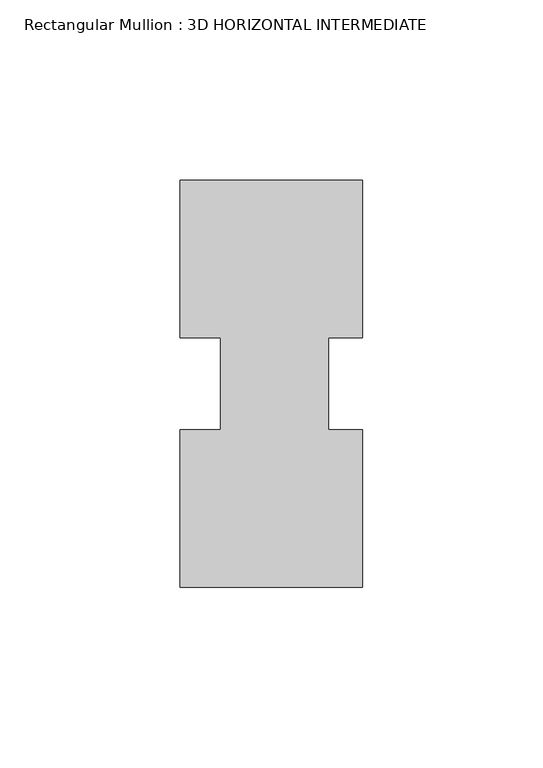
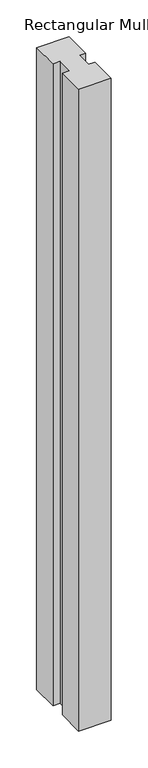
"""IFC4 building model written with IfcOpenShell, lengths in millimetres: member geometry, Rectangular Mullion : 3D HORIZONTAL INTERMEDIATE."""

from ifc_helpers import new_model, si_unit, frame, origin, place, context, project, spatial, polyline, outline, extrude, source, transform, mapped, element, save


def rectangular_mullion_3d_horizontal_intermediate_f3f46fbf(model_context):
    return source(origin(), model_context, "Body", "SweptSolid", [
        extrude(outline(polyline([(24.4527147, 12.7295207), (14.9404146, 12.7295207), (14.9404146, -12.7581776), (24.4527147, -12.7581776), (24.4527147, -56.5435115), (-26.3472853, -56.5435115), (-26.3472853, -12.7581776), (-14.9939298, -12.7581776), (-14.9939298, 12.7295207), (-26.3282353, 12.7295207), (-26.3282353, 56.5372885), (24.4527147, 56.5372885), (24.4527147, 12.7295207)])), frame((0.0, 0.0, -1060.45), z_axis=(0.0, 0.0, 1.0), x_axis=(1.0, 0.0, 0.0)), (0.0, 0.0, 1.0), 1060.45),
    ])


if __name__ == "__main__":
    model = new_model("IFC4")
    model_context = context("Model", 3, world=origin())
    ifc_project = project(units=[si_unit("LENGTHUNIT", "METRE", prefix="MILLI")], contexts=[model_context])
    site = spatial("IfcSite", under=ifc_project)
    building = spatial("IfcBuilding", under=site)
    placement = place(None, origin())
    rectangular_mullion_3d_horizontal_intermediate_shape = rectangular_mullion_3d_horizontal_intermediate_f3f46fbf(model_context)
    element("IfcMember", 1, ObjectType="Rectangular Mullion : 3D HORIZONTAL INTERMEDIATE", at=placement, inside=building, context=model_context, shape_type="MappedRepresentation", body=[
        mapped(rectangular_mullion_3d_horizontal_intermediate_shape, transform((0.0, 0.0, 0.0), x_axis=(1.0, 0.0, 0.0), y_axis=(0.0, 1.0, 0.0), z_axis=(0.0, 0.0, 1.0))),
    ])
    save(model, "model.ifc")
